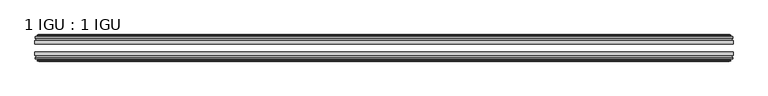
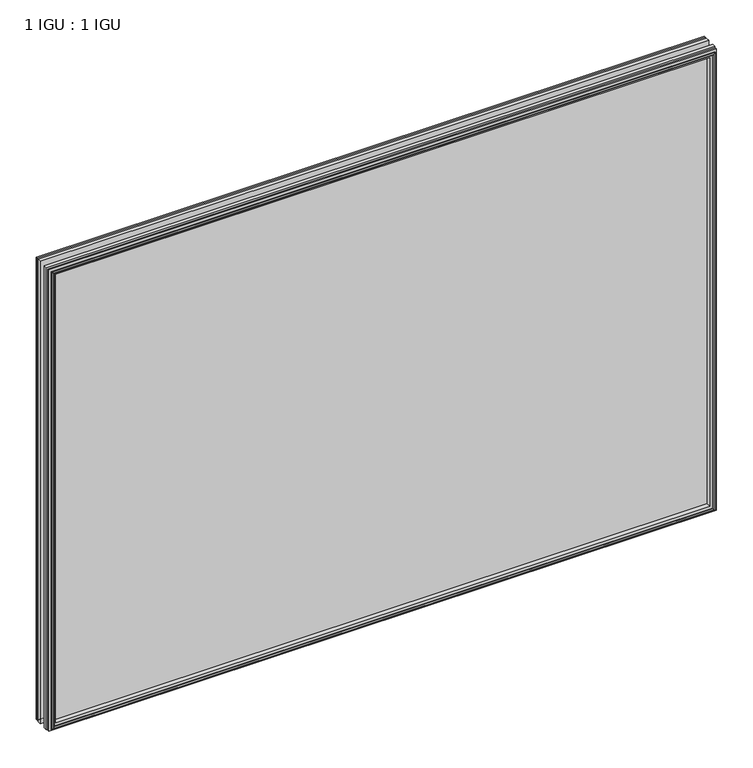
"""IFC4 building model written with IfcOpenShell, lengths in millimetres: plate geometry, 1 IGU : 1 IGU."""

import ifcopenshell
import ifcopenshell.guid

model = None  # the IFC model being written
_history = None  # IfcOwnerHistory: only IFC2X3 demands one
_inside = {}  # id of a spatial element -> (the spatial element, [elements in it])
_under = {}  # id of a project, library or spatial element -> (it, [spatial elements below it])
_declared = {}  # id of a project -> (the project, [libraries it declares])
_typed = {}  # id of a type object -> (the type object, [elements of that type])
_made_of = {}  # id of a material, layer set ... -> (it, [elements and type objects made of it])


def new_model(schema):
    """Start an empty IFC model of exactly this schema.

    Asked for "IFC4X3", IfcOpenShell would pick the latest addendum, in which some entities
    have other attributes; the version numbers below select the first issue.
    IFC2X3 requires an IfcOwnerHistory on every rooted entity: one is made here for all.
    """
    global model, _history
    if schema == "IFC4X3":
        model = ifcopenshell.file(schema_version=(4, 3, 0, 0))
    else:
        model = ifcopenshell.file(schema=schema)
    _inside.clear()
    _under.clear()
    _declared.clear()
    _typed.clear()
    _made_of.clear()
    _history = None
    if model.schema == "IFC2X3":
        org = make("IfcOrganization", Name="unknown")
        user = make(
            "IfcPersonAndOrganization",
            ThePerson=make("IfcPerson", FamilyName="unknown"),
            TheOrganization=org,
        )
        app = make(
            "IfcApplication",
            ApplicationDeveloper=org,
            Version="unknown",
            ApplicationFullName="unknown",
            ApplicationIdentifier="unknown",
        )
        _history = make(
            "IfcOwnerHistory",
            OwningUser=user,
            OwningApplication=app,
            ChangeAction="ADDED",
            CreationDate=0,
        )
    return model


def make(cls, **values):
    """One entity of the class cls with the attributes given. An attribute that is None is left unset."""
    return model.create_entity(
        cls, **{name: value for name, value in values.items() if value is not None}
    )


def rooted(cls, **values):
    """An entity with a GlobalId (a new one), such as an element, a storey or a relation."""
    return make(cls, GlobalId=ifcopenshell.guid.new(), OwnerHistory=_history, **values)


def si_unit(unit_type, name, prefix=None):
    """IfcSIUnit, for example si_unit("LENGTHUNIT", "METRE", prefix="MILLI")."""
    return make("IfcSIUnit", UnitType=unit_type, Prefix=prefix, Name=name)


def assignment(units):
    """IfcUnitAssignment: the units of a project."""
    return None if units is None else make("IfcUnitAssignment", Units=units)


def point(xyz):
    """IfcCartesianPoint."""
    return None if xyz is None else make("IfcCartesianPoint", Coordinates=xyz)


def direction(xyz):
    """IfcDirection."""
    return None if xyz is None else make("IfcDirection", DirectionRatios=xyz)


def frame(location, z_axis=None, x_axis=None):
    """IfcAxis2Placement3D, a coordinate frame: its origin and axes. An axis left out is left unset."""
    return make(
        "IfcAxis2Placement3D",
        Location=point(location),
        Axis=direction(z_axis),
        RefDirection=direction(x_axis),
    )


def origin():
    """The frame at (0, 0, 0) with its axes left unset."""
    return frame((0.0, 0.0, 0.0))


def place(relative_to, where):
    """IfcLocalPlacement: puts the frame where relative to a parent placement (None: the world)."""
    return make(
        "IfcLocalPlacement", PlacementRelTo=relative_to, RelativePlacement=where
    )


def context(
    kind, dimensions, precision=None, world=None, true_north=None, identifier=None
):
    """IfcGeometricRepresentationContext, for example the 3D "Model" context."""
    return make(
        "IfcGeometricRepresentationContext",
        ContextIdentifier=identifier,
        ContextType=kind,
        CoordinateSpaceDimension=dimensions,
        Precision=precision,
        WorldCoordinateSystem=world,
        TrueNorth=true_north,
    )


def project(units=None, contexts=None):
    """IfcProject with its units and contexts."""
    return rooted(
        "IfcProject",
        Name="project",
        RepresentationContexts=contexts,
        UnitsInContext=assignment(units),
    )


def spatial(cls, under=None, at=None, **own):
    """A site, building, storey or space (cls), placed at a placement, below another one or the project."""
    s = rooted(cls, ObjectPlacement=at, **own)
    if under is not None:
        _under.setdefault(under.id(), (under, []))[1].append(s)
    return s


def polyline(points):
    """IfcPolyline through the points."""
    return make("IfcPolyline", Points=[point(p) for p in points])


def outline(outer, holes=None, kind="AREA"):
    """IfcArbitraryClosedProfileDef: a profile drawn as a closed curve; with holes, ...WithVoids."""
    if holes is None:
        return make("IfcArbitraryClosedProfileDef", ProfileType=kind, OuterCurve=outer)
    return make(
        "IfcArbitraryProfileDefWithVoids",
        ProfileType=kind,
        OuterCurve=outer,
        InnerCurves=holes,
    )


def extrude(swept, where, along, depth):
    """IfcExtrudedAreaSolid: the profile swept, set in the frame where, extruded along a direction by depth."""
    return make(
        "IfcExtrudedAreaSolid",
        SweptArea=swept,
        Position=where,
        ExtrudedDirection=direction(along),
        Depth=depth,
    )


def faces_of(points, faces, orient=None, outer=None):
    """IfcFace entities. A face is a list of loops; a loop is a list of indices into points, from 0.

    orient and outer hold one flag for each loop. By default every Orientation is true, the
    first loop of a face is its IfcFaceOuterBound and the others are IfcFaceBound.
    """
    made = []
    for i, loops in enumerate(faces):
        bounds = []
        for j, loop in enumerate(loops):
            is_outer = j == 0 if outer is None else outer[i][j]
            bounds.append(
                make(
                    "IfcFaceOuterBound" if is_outer else "IfcFaceBound",
                    Bound=make("IfcPolyLoop", Polygon=[points[k] for k in loop]),
                    Orientation=True if orient is None else orient[i][j],
                )
            )
        made.append(make("IfcFace", Bounds=bounds))
    return made


def faceted_brep(points, faces, orient=None, outer=None, voids=None):
    """IfcFacetedBrep: a solid bounded by flat faces; with voids (closed shells), ...WithVoids."""
    shared = [point(p) for p in points]
    hull = make("IfcClosedShell", CfsFaces=faces_of(shared, faces, orient, outer))
    if voids is None:
        return make("IfcFacetedBrep", Outer=hull)
    return make(
        "IfcFacetedBrepWithVoids",
        Outer=hull,
        Voids=[
            make(cls, CfsFaces=faces_of(shared, fs, o, b)) for cls, fs, o, b in voids
        ],
    )


def shape(context_of_items, identifier, shape_type, items):
    """IfcShapeRepresentation: the items that make up one representation, for example the "Body"."""
    return make(
        "IfcShapeRepresentation",
        ContextOfItems=context_of_items,
        RepresentationIdentifier=identifier,
        RepresentationType=shape_type,
        Items=items,
    )


def source(mapping_origin, context_of_items, identifier, shape_type, items):
    """IfcRepresentationMap: a shape defined once, which mapped items show again and again."""
    return make(
        "IfcRepresentationMap",
        MappingOrigin=mapping_origin,
        MappedRepresentation=shape(context_of_items, identifier, shape_type, items),
    )


def transform(
    local_origin,
    x_axis=None,
    y_axis=None,
    z_axis=None,
    scale=None,
    scale2=None,
    scale3=None,
    uniform=True,
):
    """IfcCartesianTransformationOperator3D, or its non-uniform kind. x_axis, y_axis, z_axis: its Axis1, 2, 3."""
    if uniform:
        return make(
            "IfcCartesianTransformationOperator3D",
            Axis1=direction(x_axis),
            Axis2=direction(y_axis),
            LocalOrigin=point(local_origin),
            Scale=scale,
            Axis3=direction(z_axis),
        )
    return make(
        "IfcCartesianTransformationOperator3DnonUniform",
        Axis1=direction(x_axis),
        Axis2=direction(y_axis),
        LocalOrigin=point(local_origin),
        Scale=scale,
        Axis3=direction(z_axis),
        Scale2=scale2,
        Scale3=scale3,
    )


def mapped(mapping_source, mapping_target):
    """IfcMappedItem: shows the shape of a source again, moved by a transform."""
    return make(
        "IfcMappedItem", MappingSource=mapping_source, MappingTarget=mapping_target
    )


def made_of(thing, what):
    """Note that an element or type object is made of a material, layer set ...; save() writes the relation."""
    if what is not None:
        _made_of.setdefault(what.id(), (what, []))[1].append(thing)
    return thing


def element(
    cls,
    number,
    at=None,
    inside=None,
    cuts=None,
    type_object=None,
    material=None,
    context=None,
    identifier="Body",
    shape_type=None,
    held_by="IfcProductDefinitionShape",
    body=None,
    shapes=None,
    **own,
):
    """One element of the class cls, such as IfcWall. Its Tag is "e" and its number.

    at: its placement. inside: the storey or other place that contains it. cuts: it is an
    opening in that element (IfcRelVoidsElement). A single representation is given by context,
    identifier, shape_type and body (its items); several are given by shapes. held_by: the class
    of the entity that holds the representations. save() writes the other relations.
    """
    e = rooted(cls, Tag="e%d" % number, ObjectPlacement=at, **own)
    if body is not None:
        shapes = [shape(context, identifier, shape_type, body)]
    if shapes is not None:
        e.Representation = make(held_by, Representations=shapes)
    if inside is not None:
        _inside.setdefault(inside.id(), (inside, []))[1].append(e)
    if cuts is not None:
        rooted(
            "IfcRelVoidsElement", RelatingBuildingElement=cuts, RelatedOpeningElement=e
        )
    if type_object is not None:
        _typed.setdefault(type_object.id(), (type_object, []))[1].append(e)
    return made_of(e, material)


def aggregate(whole, parts):
    """IfcRelAggregates: a whole, such as a stair, and the parts it consists of."""
    return rooted("IfcRelAggregates", RelatingObject=whole, RelatedObjects=parts)


def save(model, path):
    """Write the relations noted so far, then the file.

    IfcRelAggregates (storeys below a building ...), IfcRelContainedInSpatialStructure (elements
    in a storey), IfcRelDefinesByType, IfcRelAssociatesMaterial and IfcRelDeclares: one each for
    every whole, place, type object, material and project.
    """
    for whole, parts in _under.values():
        aggregate(whole, parts)
    for where, things in _inside.values():
        rooted(
            "IfcRelContainedInSpatialStructure",
            RelatedElements=things,
            RelatingStructure=where,
        )
    for kind, things in _typed.values():
        rooted("IfcRelDefinesByType", RelatedObjects=things, RelatingType=kind)
    for what, things in _made_of.values():
        rooted("IfcRelAssociatesMaterial", RelatedObjects=things, RelatingMaterial=what)
    for by, libraries in _declared.values():
        rooted("IfcRelDeclares", RelatingContext=by, RelatedDefinitions=libraries)
    model.write(path)


def plate_1_igu_1_igu_577c9780(model_context):
    return source(origin(), model_context, "Body", "SolidModel", [
        extrude(outline(polyline([(590.5499997, -25.8960937), (590.5499997, -32.2460938), (-590.5499997, -32.2460938), (-590.5499997, -25.8960937), (590.5499997, -25.8960937)])), frame((0.0, 0.0, -12.7), z_axis=(0.0, 0.0, 1.0), x_axis=(1.0, 0.0, 0.0)), (0.0, 0.0, 1.0), 863.6),
        extrude(outline(polyline([(-590.5499997, -51.2960938), (-590.5499997, -45.2686737), (590.5499997, -45.2686737), (590.5499997, -51.2960938), (-590.5499997, -51.2960938)])), frame((0.0, 0.0, -12.7), z_axis=(0.0, 0.0, 1.0), x_axis=(1.0, 0.0, 0.0)), (0.0, 0.0, 1.0), 863.6),
        faceted_brep([(-584.9619997, -60.0262907, 845.312), (-585.3429997, -57.6460937, 845.693), (-585.3429997, -57.6460937, -7.493), (-584.9619997, -60.0262907, -7.112), (-586.3775287, -59.5663575, 846.727529), (-586.3775287, -59.5663575, -8.5275291), (-586.3775287, -60.3675717, 846.727529), (-586.3775287, -60.3675717, -8.5275291), (-584.1999997, -61.0750937, 844.55), (-584.1999997, -61.0750937, -6.35), (-582.0224706, -60.3675717, 842.3724709), (-582.0224706, -60.3675717, -4.1724709), (-582.0224706, -59.5663575, 842.3724709), (-582.0224706, -59.5663575, -4.1724709), (-583.4379997, -60.0262907, 843.788), (-583.4379997, -60.0262907, -5.588), (-583.0569997, -57.6460937, 843.407), (-583.0569997, -57.6460937, -5.207), (-576.1322816, -51.2960937, 836.4822819), (-577.8499997, -57.6460937, 838.2), (-577.8499997, -57.6460937, 0.0), (-576.1322816, -51.2960937, 1.7177181), (-589.7879997, -54.6996937, 850.138), (-586.9536575, -51.2960937, 847.3036578), (-586.9536575, -51.2960937, -9.1036578), (-589.7879997, -54.6996937, -11.938), (-589.7879997, -57.6460937, 850.138), (-589.7879997, -57.6460937, -11.938), (585.3429997, -57.6460938, -7.493), (584.9619997, -60.0262907, -7.112), (586.3775287, -59.5663575, -8.5275291), (586.3775287, -60.3675717, -8.5275291), (584.1999997, -61.0750937, -6.35), (582.0224706, -60.3675717, -4.1724709), (582.0224706, -59.5663575, -4.1724709), (583.4379997, -60.0262907, -5.588), (583.0569997, -57.6460937, -5.207), (577.8499997, -57.6460937, 0.0), (576.1322816, -51.2960937, 1.7177181), (586.9536575, -51.2960937, -9.1036578), (589.7879997, -54.6996937, -11.938), (589.7879997, -57.6460938, -11.938), (585.3429997, -57.6460938, 845.693), (584.9619997, -60.0262907, 845.312), (586.3775287, -59.5663575, 846.727529), (586.3775287, -60.3675717, 846.727529), (584.1999997, -61.0750937, 844.55), (582.0224706, -60.3675717, 842.3724709), (582.0224706, -59.5663575, 842.3724709), (583.4379997, -60.0262907, 843.788), (583.0569997, -57.6460937, 843.407), (577.8499997, -57.6460937, 838.2), (576.1322816, -51.2960937, 836.4822819), (586.9536575, -51.2960937, 847.3036578), (589.7879997, -54.6996937, 850.138), (589.7879997, -57.6460938, 850.138)], [[[0, 1, 2, 3]], [[4, 0, 3, 5]], [[6, 4, 5, 7]], [[8, 6, 7, 9]], [[10, 8, 9, 11]], [[12, 10, 11, 13]], [[14, 12, 13, 15]], [[16, 14, 15, 17]], [[18, 19, 20, 21]], [[22, 23, 24, 25]], [[26, 22, 25, 27]], [[3, 2, 28, 29]], [[5, 3, 29, 30]], [[7, 5, 30, 31]], [[9, 7, 31, 32]], [[11, 9, 32, 33]], [[13, 11, 33, 34]], [[15, 13, 34, 35]], [[17, 15, 35, 36]], [[21, 20, 37, 38]], [[25, 24, 39, 40]], [[27, 25, 40, 41]], [[29, 28, 42, 43]], [[30, 29, 43, 44]], [[31, 30, 44, 45]], [[32, 31, 45, 46]], [[33, 32, 46, 47]], [[34, 33, 47, 48]], [[35, 34, 48, 49]], [[36, 35, 49, 50]], [[38, 37, 51, 52]], [[40, 39, 53, 54]], [[41, 40, 54, 55]], [[27, 41, 55, 26], [1, 42, 28, 2]], [[43, 42, 1, 0]], [[44, 43, 0, 4]], [[45, 44, 4, 6]], [[46, 45, 6, 8]], [[47, 46, 8, 10]], [[48, 47, 10, 12]], [[49, 48, 12, 14]], [[50, 49, 14, 16]], [[17, 36, 50, 16], [19, 51, 37, 20]], [[52, 51, 19, 18]], [[23, 53, 39, 24], [21, 38, 52, 18]], [[54, 53, 23, 22]], [[55, 54, 22, 26]]]),
        faceted_brep([(-587.4743575, -25.8960937, 847.8243578), (-590.3086997, -22.4924937, 850.6587), (-590.3086997, -22.4924937, -12.4587), (-587.4743575, -25.8960937, -9.6243578), (-578.3706997, -19.5460937, 838.7207), (-576.6529816, -25.8960937, 837.0029819), (-576.6529816, -25.8960937, 1.1970181), (-578.3706997, -19.5460937, -0.5207), (-583.9586997, -17.1658968, 844.3087), (-583.5776997, -19.5460937, 843.9277), (-583.5776997, -19.5460937, -5.7277), (-583.9586997, -17.1658968, -6.1087), (-582.5431706, -17.62583, 842.8931709), (-582.5431706, -17.62583, -4.6931709), (-582.5431706, -16.8246158, 842.8931709), (-582.5431706, -16.8246158, -4.6931709), (-584.7206997, -16.1170937, 845.0707), (-584.7206997, -16.1170937, -6.8707), (-586.8982287, -16.8246158, 847.248229), (-586.8982287, -16.8246158, -9.0482291), (-586.8982287, -17.62583, 847.248229), (-586.8982287, -17.62583, -9.0482291), (-585.4826997, -17.1658968, 845.8327), (-585.4826997, -17.1658968, -7.6327), (-585.8636997, -19.5460937, 846.2137), (-585.8636997, -19.5460937, -8.0137), (-590.3086997, -19.5460937, 850.6587), (-590.3086997, -19.5460937, -12.4587), (590.3086997, -22.4924937, -12.4587), (587.4743575, -25.8960937, -9.6243578), (576.6529816, -25.8960937, 1.1970181), (578.3706997, -19.5460937, -0.5207), (583.5776997, -19.5460937, -5.7277), (583.9586997, -17.1658968, -6.1087), (582.5431706, -17.62583, -4.6931709), (582.5431706, -16.8246158, -4.6931709), (584.7206997, -16.1170937, -6.8707), (586.8982287, -16.8246158, -9.0482291), (586.8982287, -17.62583, -9.0482291), (585.4826997, -17.1658968, -7.6327), (585.8636997, -19.5460937, -8.0137), (590.3086997, -19.5460937, -12.4587), (590.3086997, -22.4924937, 850.6587), (587.4743575, -25.8960937, 847.8243578), (576.6529816, -25.8960937, 837.0029819), (578.3706997, -19.5460937, 838.7207), (583.5776997, -19.5460937, 843.9277), (583.9586997, -17.1658968, 844.3087), (582.5431706, -17.62583, 842.8931709), (582.5431706, -16.8246158, 842.8931709), (584.7206997, -16.1170937, 845.0707), (586.8982287, -16.8246158, 847.248229), (586.8982287, -17.62583, 847.248229), (585.4826997, -17.1658968, 845.8327), (585.8636997, -19.5460937, 846.2137), (590.3086997, -19.5460937, 850.6587)], [[[0, 1, 2, 3]], [[4, 5, 6, 7]], [[8, 9, 10, 11]], [[12, 8, 11, 13]], [[14, 12, 13, 15]], [[16, 14, 15, 17]], [[18, 16, 17, 19]], [[20, 18, 19, 21]], [[22, 20, 21, 23]], [[24, 22, 23, 25]], [[1, 26, 27, 2]], [[3, 2, 28, 29]], [[7, 6, 30, 31]], [[11, 10, 32, 33]], [[13, 11, 33, 34]], [[15, 13, 34, 35]], [[17, 15, 35, 36]], [[19, 17, 36, 37]], [[21, 19, 37, 38]], [[23, 21, 38, 39]], [[25, 23, 39, 40]], [[2, 27, 41, 28]], [[29, 28, 42, 43]], [[31, 30, 44, 45]], [[33, 32, 46, 47]], [[34, 33, 47, 48]], [[35, 34, 48, 49]], [[36, 35, 49, 50]], [[37, 36, 50, 51]], [[38, 37, 51, 52]], [[39, 38, 52, 53]], [[40, 39, 53, 54]], [[28, 41, 55, 42]], [[43, 42, 1, 0]], [[3, 29, 43, 0], [5, 44, 30, 6]], [[45, 44, 5, 4]], [[9, 46, 32, 10], [7, 31, 45, 4]], [[47, 46, 9, 8]], [[48, 47, 8, 12]], [[49, 48, 12, 14]], [[50, 49, 14, 16]], [[51, 50, 16, 18]], [[52, 51, 18, 20]], [[53, 52, 20, 22]], [[54, 53, 22, 24]], [[26, 55, 41, 27], [25, 40, 54, 24]], [[42, 55, 26, 1]]]),
    ])


if __name__ == "__main__":
    model = new_model("IFC4")
    model_context = context("Model", 3, world=origin())
    ifc_project = project(units=[si_unit("LENGTHUNIT", "METRE", prefix="MILLI")], contexts=[model_context])
    site = spatial("IfcSite", under=ifc_project)
    building = spatial("IfcBuilding", under=site)
    placement = place(None, origin())
    plate_1_igu_1_igu_shape = plate_1_igu_1_igu_577c9780(model_context)
    element("IfcPlate", 1, ObjectType="1 IGU : 1 IGU", at=placement, inside=building, context=model_context, shape_type="MappedRepresentation", body=[
        mapped(plate_1_igu_1_igu_shape, transform((0.0, 0.0, 0.0), x_axis=(1.0, 0.0, 0.0), y_axis=(0.0, 1.0, 0.0), z_axis=(0.0, 0.0, 1.0))),
    ])
    save(model, "model.ifc")
